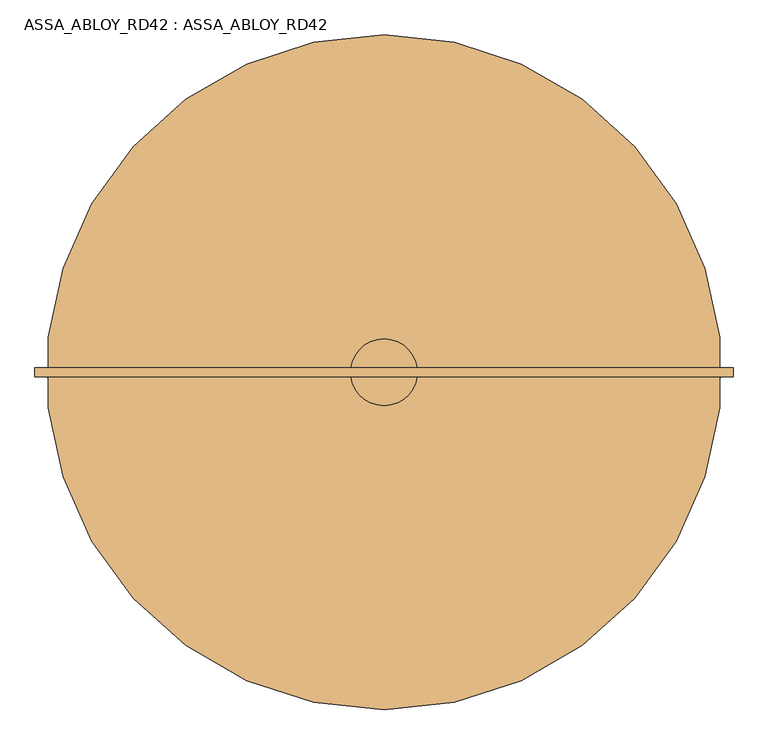
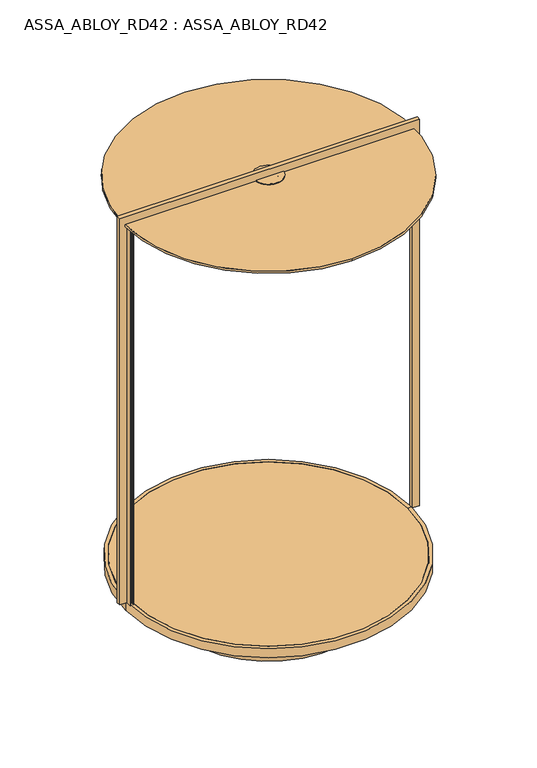
"""IFC4 building model written with IfcOpenShell, lengths in millimetres: door geometry, ASSA_ABLOY_RD42 : ASSA_ABLOY_RD42."""

from ifc_helpers import new_model, si_unit, point, frame, frame_2d, origin, origin_with_axes, place, context, project, spatial, polyline, circle_curve, trimmed, segment, composite_curve, outline, extrude, source, transform, mapped, element, save
from ifc_brep_helpers import plane_surface, cylinder_surface, revolved_surface, advanced_brep


def assa_abloy_rd42_assa_abloy_rd42_464957b4(model_context):
    return source(origin(), model_context, "Body", "SolidModel", [
        extrude(outline(polyline([(-872.0, 0.0), (-846.0, 0.0), (-846.0, -53.0), (-849.0, -53.0), (-849.0, -33.0), (-869.0, -33.0), (-869.0, -53.0), (-872.0, -53.0), (-872.0, 0.0)])), origin_with_axes(), (0.0, 0.0, 1.0), 2773.0),
        extrude(outline(composite_curve([segment(trimmed(circle_curve(frame_2d((125.0, 0.0)), 971.0), [point((-846.0, 0.0))], [point((1096.0, 0.0))], False, "CARTESIAN"), True, "CONTINUOUS"), segment(trimmed(circle_curve(frame_2d((125.0, 0.0)), 971.0), [point((1096.0, 0.0))], [point((-846.0, 0.0))], False, "CARTESIAN"), True, "CONTINUOUS")], self_intersect=False)), frame((0.0, 0.0, -22.0), z_axis=(0.0, 0.0, 1.0), x_axis=(1.0, 0.0, 0.0)), (0.0, 0.0, 1.0), 22.0),
        extrude(outline(polyline([(2794.0, 1137.0), (2778.0, 1137.0), (2778.0, 1122.0), (0.0, 1122.0), (0.0, 1172.0), (2850.0, 1172.0), (2850.0, -922.0), (0.0, -922.0), (0.0, -872.0), (2778.0, -872.0), (2778.0, -887.0), (2794.0, -887.0), (2794.0, 1137.0)])), frame((0.0, -14.0, 0.0), z_axis=(0.0, 1.0, 0.0), x_axis=(0.0, 0.0, 1.0)), (0.0, 0.0, 1.0), 28.0),
        advanced_brep(
        [(1122.0, 0.0, -65.0), (-872.0, 0.0, -65.0), (-872.0, 0.0, 0.0), (1122.0, 0.0, 0.0), (125.0, 0.0, -65.0), (1096.0, 0.0, -23.0), (-846.0, 0.0, -23.0), (125.0, 0.0, -23.0), (1096.0, 0.0, 0.0), (-846.0, 0.0, 0.0)],
        [
            (0, 1, circle_curve(frame((125.0, 0.0, -65.0), z_axis=(0.0, 0.0, 1.0), x_axis=(-1.0, 0.0, 0.0)), 997.0)),
            (1, 2),
            (2, 3, circle_curve(frame((125.0, 0.0, 0.0), z_axis=(0.0, 0.0, -1.0), x_axis=(-1.0, 0.0, 0.0)), 997.0)),
            (3, 0),
            (1, 0, circle_curve(frame((125.0, 0.0, -65.0), z_axis=(0.0, 0.0, 1.0), x_axis=(-1.0, 0.0, 0.0)), 997.0)),
            (3, 2, circle_curve(frame((125.0, 0.0, 0.0), z_axis=(0.0, 0.0, -1.0), x_axis=(-1.0, 0.0, 0.0)), 997.0)),
            (0, 4),
            (4, 1),
            (5, 6, circle_curve(frame((125.0, 0.0, -23.0), z_axis=(0.0, 0.0, 1.0), x_axis=(-1.0, 0.0, 0.0)), 971.0)),
            (6, 7),
            (7, 5),
            (6, 5, circle_curve(frame((125.0, 0.0, -23.0), z_axis=(0.0, 0.0, 1.0), x_axis=(-1.0, 0.0, 0.0)), 971.0)),
            (5, 8),
            (8, 9, circle_curve(frame((125.0, 0.0, 0.0), z_axis=(0.0, 0.0, 1.0), x_axis=(-1.0, 0.0, 0.0)), 971.0)),
            (9, 6),
            (9, 8, circle_curve(frame((125.0, 0.0, 0.0), z_axis=(0.0, 0.0, 1.0), x_axis=(-1.0, 0.0, 0.0)), 971.0)),
            (2, 9),
            (8, 3),
        ],
        [
            cylinder_surface(frame((125.0, 0.0, -20.0), z_axis=(0.0, 0.0, -1.0), x_axis=(-1.0, 0.0, 0.0)), 997.0),
            plane_surface(frame((125.0, 0.0, -65.0), z_axis=(0.0, 0.0, -1.0), x_axis=(-1.0, 0.0, 0.0))),
            plane_surface(frame((125.0, 0.0, -23.0), z_axis=(0.0, 0.0, 1.0), x_axis=(-1.0, 0.0, 0.0))),
            revolved_surface(polyline([(-846.0, 0.0, -23.0), (-846.0, 0.0, 0.0)]), (125.0, 0.0, -20.0), (0.0, 0.0, -1.0)),
            plane_surface(frame((125.0, 0.0, 0.0), z_axis=(0.0, 0.0, 1.0), x_axis=(-1.0, 0.0, 0.0))),
        ],
        [
            (0, [[1, 2, 3, 4]]),
            (0, [[-2, 5, -4, 6]]),
            (1, [[-1, 7, 8]]),
            (1, [[-5, -8, -7]]),
            (2, [[9, 10, 11]]),
            (2, [[-10, 12, -11]]),
            (3, [[-9, 13, 14, 15]]),
            (3, [[-12, -15, 16, -13]]),
            (4, [[-3, 17, -14, 18]]),
            (4, [[-6, -18, -16, -17]]),
        ],
    ),
        advanced_brep(
        [(125.0, 1012.0, 2794.0), (125.0, -1012.0, 2794.0), (65.0, 0.0, 2794.0), (185.0, 0.0, 2794.0), (125.0, 1012.0, 2778.0), (125.0, -1012.0, 2778.0), (185.0, 0.0, 2778.0), (65.0, 0.0, 2778.0)],
        [
            (0, 1, circle_curve(frame((125.0, 0.0, 2794.0), z_axis=(0.0, 0.0, 1.0), x_axis=(0.0, -1.0, 0.0)), 1012.0)),
            (1, 0, circle_curve(frame((125.0, 0.0, 2794.0), z_axis=(0.0, 0.0, 1.0), x_axis=(0.0, -1.0, 0.0)), 1012.0)),
            (2, 3, circle_curve(frame((125.0, 0.0, 2794.0), z_axis=(0.0, 0.0, -1.0), x_axis=(-1.0, 0.0, 0.0)), 60.0)),
            (3, 2, circle_curve(frame((125.0, 0.0, 2794.0), z_axis=(0.0, 0.0, -1.0), x_axis=(-1.0, 0.0, 0.0)), 60.0)),
            (4, 5, circle_curve(frame((125.0, 0.0, 2778.0), z_axis=(0.0, 0.0, -1.0), x_axis=(0.0, -1.0, 0.0)), 1012.0)),
            (5, 4, circle_curve(frame((125.0, 0.0, 2778.0), z_axis=(0.0, 0.0, -1.0), x_axis=(0.0, -1.0, 0.0)), 1012.0)),
            (6, 7, circle_curve(frame((125.0, 0.0, 2778.0), z_axis=(0.0, 0.0, 1.0), x_axis=(-1.0, 0.0, 0.0)), 60.0)),
            (7, 6, circle_curve(frame((125.0, 0.0, 2778.0), z_axis=(0.0, 0.0, 1.0), x_axis=(-1.0, 0.0, 0.0)), 60.0)),
            (0, 4),
            (5, 1),
            (6, 3),
            (2, 7),
        ],
        [
            plane_surface(frame((125.0, -1012.0, 2794.0), z_axis=(0.0, 0.0, 1.0), x_axis=(1.0, 0.0, 0.0))),
            plane_surface(frame((125.0, -1012.0, 2778.0), z_axis=(0.0, 0.0, -1.0), x_axis=(-1.0, 0.0, 0.0))),
            cylinder_surface(frame((125.0, 0.0, 2794.0), z_axis=(0.0, 0.0, -1.0), x_axis=(0.0, -1.0, 0.0)), 1012.0),
            revolved_surface(polyline([(65.0, 0.0, 2794.0), (65.0, 0.0, 2778.0)]), (125.0, 0.0, 2723.0), (0.0, 0.0, 1.0)),
        ],
        [
            (0, [[1, 2], [3, 4]]),
            (1, [[5, 6], [7, 8]]),
            (2, [[-1, 9, -6, 10]]),
            (2, [[-2, -10, -5, -9]]),
            (3, [[11, -3, 12, -7]]),
            (3, [[-11, -8, -12, -4]]),
        ],
    ),
        extrude(outline(composite_curve([segment(trimmed(circle_curve(frame_2d((125.0, 0.0)), 645.0), [point((-520.0, 0.0))], [point((770.0, 0.0))], False, "CARTESIAN"), True, "CONTINUOUS"), segment(trimmed(circle_curve(frame_2d((125.0, 0.0)), 645.0), [point((770.0, 0.0))], [point((-520.0, 0.0))], False, "CARTESIAN"), True, "CONTINUOUS")], self_intersect=False)), frame((0.0, 0.0, -340.0), z_axis=(0.0, 0.0, 1.0), x_axis=(1.0, 0.0, 0.0)), (0.0, 0.0, 1.0), 275.0),
        advanced_brep(
        [(125.0, -90.0, 2778.0), (125.0, 90.0, 2778.0), (125.0, 90.0, 2772.0), (125.0, -90.0, 2772.0), (125.0, -60.0, 2794.0), (125.0, 60.0, 2794.0), (125.0, 60.0, 2778.0), (125.0, -60.0, 2778.0), (125.0, -100.0, 2800.0), (125.0, 100.0, 2800.0), (125.0, 100.0, 2794.0), (125.0, -100.0, 2794.0), (125.0, 30.0, 2772.0), (125.0, -30.0, 2772.0), (125.0, 30.0, 2778.0), (125.0, -30.0, 2778.0)],
        [
            (0, 1, circle_curve(frame((125.0, 0.0, 2778.0), z_axis=(0.0, 0.0, -1.0), x_axis=(0.0, 1.0, 0.0)), 90.0)),
            (1, 2),
            (2, 3, circle_curve(frame((125.0, 0.0, 2772.0), z_axis=(0.0, 0.0, 1.0), x_axis=(0.0, 1.0, 0.0)), 90.0)),
            (3, 0),
            (4, 5, circle_curve(frame((125.0, 0.0, 2794.0), z_axis=(0.0, 0.0, -1.0), x_axis=(0.0, 1.0, 0.0)), 60.0)),
            (5, 6),
            (6, 7, circle_curve(frame((125.0, 0.0, 2778.0), z_axis=(0.0, 0.0, 1.0), x_axis=(0.0, 1.0, 0.0)), 60.0)),
            (7, 4),
            (8, 9, circle_curve(frame((125.0, 0.0, 2800.0), z_axis=(0.0, 0.0, -1.0), x_axis=(0.0, 1.0, 0.0)), 100.0)),
            (9, 10),
            (10, 11, circle_curve(frame((125.0, 0.0, 2794.0), z_axis=(0.0, 0.0, 1.0), x_axis=(0.0, 1.0, 0.0)), 100.0)),
            (11, 8),
            (1, 0, circle_curve(frame((125.0, 0.0, 2778.0), z_axis=(0.0, 0.0, -1.0), x_axis=(0.0, -1.0, 0.0)), 90.0)),
            (3, 2, circle_curve(frame((125.0, 0.0, 2772.0), z_axis=(0.0, 0.0, 1.0), x_axis=(0.0, -1.0, 0.0)), 90.0)),
            (6, 7, circle_curve(frame((125.0, 0.0, 2778.0), z_axis=(0.0, 0.0, -1.0), x_axis=(0.0, -1.0, 0.0)), 60.0)),
            (5, 4, circle_curve(frame((125.0, 0.0, 2794.0), z_axis=(0.0, 0.0, -1.0), x_axis=(0.0, -1.0, 0.0)), 60.0)),
            (10, 11, circle_curve(frame((125.0, 0.0, 2794.0), z_axis=(0.0, 0.0, -1.0), x_axis=(0.0, -1.0, 0.0)), 100.0)),
            (9, 8, circle_curve(frame((125.0, 0.0, 2800.0), z_axis=(0.0, 0.0, -1.0), x_axis=(0.0, -1.0, 0.0)), 100.0)),
            (12, 13, circle_curve(frame((125.0, 0.0, 2772.0), z_axis=(0.0, 0.0, 1.0), x_axis=(0.0, 1.0, 0.0)), 30.0)),
            (13, 12, circle_curve(frame((125.0, 0.0, 2772.0), z_axis=(0.0, 0.0, 1.0), x_axis=(0.0, -1.0, 0.0)), 30.0)),
            (12, 14),
            (14, 15, circle_curve(frame((125.0, 0.0, 2778.0), z_axis=(0.0, 0.0, 1.0), x_axis=(0.0, 1.0, 0.0)), 30.0)),
            (15, 13),
            (15, 14, circle_curve(frame((125.0, 0.0, 2778.0), z_axis=(0.0, 0.0, 1.0), x_axis=(0.0, -1.0, 0.0)), 30.0)),
        ],
        [
            cylinder_surface(frame((125.0, 0.0, 2778.0), z_axis=(0.0, 0.0, 1.0), x_axis=(0.0, 1.0, 0.0)), 90.0),
            cylinder_surface(frame((125.0, 0.0, 2778.0), z_axis=(0.0, 0.0, 1.0), x_axis=(0.0, 1.0, 0.0)), 60.0),
            cylinder_surface(frame((125.0, 0.0, 2778.0), z_axis=(0.0, 0.0, 1.0), x_axis=(0.0, 1.0, 0.0)), 100.0),
            cylinder_surface(frame((125.0, 0.0, 2778.0), z_axis=(0.0, 0.0, 1.0), x_axis=(0.0, -1.0, 0.0)), 90.0),
            plane_surface(frame((125.0, 0.0, 2778.0), z_axis=(0.0, 0.0, 1.0), x_axis=(0.0, -1.0, 0.0))),
            cylinder_surface(frame((125.0, 0.0, 2778.0), z_axis=(0.0, 0.0, 1.0), x_axis=(0.0, -1.0, 0.0)), 60.0),
            plane_surface(frame((125.0, 0.0, 2794.0), z_axis=(0.0, 0.0, -1.0), x_axis=(0.0, -1.0, 0.0))),
            cylinder_surface(frame((125.0, 0.0, 2778.0), z_axis=(0.0, 0.0, 1.0), x_axis=(0.0, -1.0, 0.0)), 100.0),
            plane_surface(frame((125.0, 0.0, 2800.0), z_axis=(0.0, 0.0, 1.0), x_axis=(0.0, -1.0, 0.0))),
            plane_surface(frame((125.0, 0.0, 2772.0), z_axis=(0.0, 0.0, -1.0), x_axis=(0.0, -1.0, 0.0))),
            revolved_surface(polyline([(125.0, 30.0, 2778.0), (125.0, 30.0, 2772.0)]), (125.0, 0.0, 2778.0), (0.0, 0.0, 1.0)),
            revolved_surface(polyline([(125.0, -30.0, 2778.0), (125.0, -30.0, 2772.0)]), (125.0, 0.0, 2778.0), (0.0, 0.0, 1.0)),
            plane_surface(frame((125.0, -30.0, 2778.0), z_axis=(0.0, 0.0, -1.0), x_axis=(-1.0, 0.0, 0.0))),
        ],
        [
            (0, [[1, 2, 3, 4]]),
            (1, [[5, 6, 7, 8]]),
            (2, [[9, 10, 11, 12]]),
            (3, [[-2, 13, -4, 14]]),
            (4, [[-1, -13], [-7, 15]]),
            (5, [[-6, 16, -8, -15]]),
            (6, [[-11, 17], [-5, -16]]),
            (7, [[-10, 18, -12, -17]]),
            (8, [[-9, -18]]),
            (9, [[-3, -14], [19, 20]]),
            (10, [[-19, 21, 22, 23]]),
            (11, [[-20, -23, 24, -21]]),
            (12, [[-22, -24]]),
        ],
    ),
    ])


if __name__ == "__main__":
    model = new_model("IFC4")
    model_context = context("Model", 3, world=origin())
    ifc_project = project(units=[si_unit("LENGTHUNIT", "METRE", prefix="MILLI")], contexts=[model_context])
    site = spatial("IfcSite", under=ifc_project)
    building = spatial("IfcBuilding", under=site)
    placement = place(None, origin())
    assa_abloy_rd42_assa_abloy_rd42_shape = assa_abloy_rd42_assa_abloy_rd42_464957b4(model_context)
    element("IfcDoor", 1, ObjectType="ASSA_ABLOY_RD42 : ASSA_ABLOY_RD42", at=placement, inside=building, context=model_context, shape_type="MappedRepresentation", body=[
        mapped(assa_abloy_rd42_assa_abloy_rd42_shape, transform((0.0, 0.0, 0.0), x_axis=(1.0, 0.0, 0.0), y_axis=(0.0, 1.0, 0.0), z_axis=(0.0, 0.0, 1.0))),
    ])
    save(model, "model.ifc")
